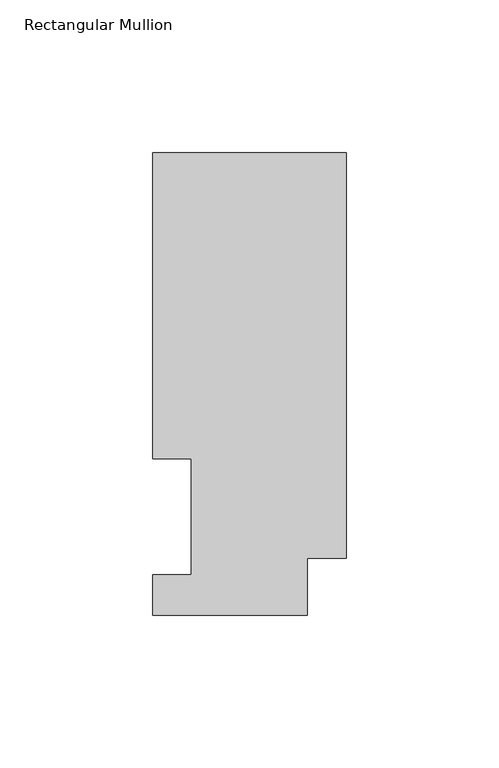
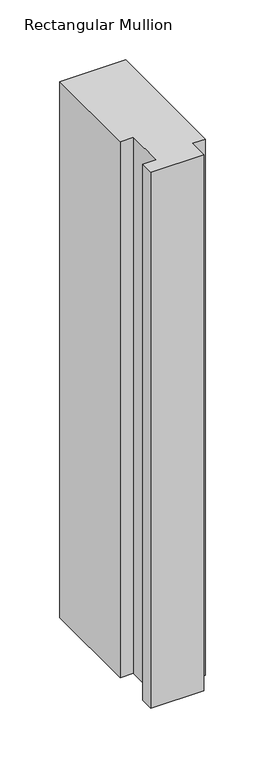
"""IFC4 building model written with IfcOpenShell, lengths in millimetres: member geometry, Rectangular Mullion."""

from ifc_helpers import new_model, si_unit, frame, origin, place, context, project, spatial, polyline, outline, extrude, source, transform, mapped, element, save


def rectangular_mullion_2d7e29f2(model_context):
    return source(origin(), model_context, "Body", "SweptSolid", [
        extrude(outline(polyline([(-63.5, 151.7022937), (0.0, 151.7022937), (0.0, 18.7332937), (-12.7, 18.7332937), (-12.7, 0.0134937), (-63.5, 0.0134937), (-63.5, 13.1960938), (-50.8, 13.1960938), (-50.8, 51.2960938), (-63.5, 51.2960937), (-63.5, 151.7022937)])), frame((0.0, 0.0, -546.1), z_axis=(0.0, 0.0, 1.0), x_axis=(1.0, 0.0, 0.0)), (0.0, 0.0, 1.0), 546.1),
    ])


if __name__ == "__main__":
    model = new_model("IFC4")
    model_context = context("Model", 3, world=origin())
    ifc_project = project(units=[si_unit("LENGTHUNIT", "METRE", prefix="MILLI")], contexts=[model_context])
    site = spatial("IfcSite", under=ifc_project)
    building = spatial("IfcBuilding", under=site)
    placement = place(None, origin())
    rectangular_mullion_shape = rectangular_mullion_2d7e29f2(model_context)
    element("IfcMember", 1, ObjectType="Rectangular Mullion", at=placement, inside=building, context=model_context, shape_type="MappedRepresentation", body=[
        mapped(rectangular_mullion_shape, transform((0.0, 0.0, 0.0), x_axis=(1.0, 0.0, 0.0), y_axis=(0.0, 1.0, 0.0), z_axis=(0.0, 0.0, 1.0))),
    ])
    save(model, "model.ifc")
